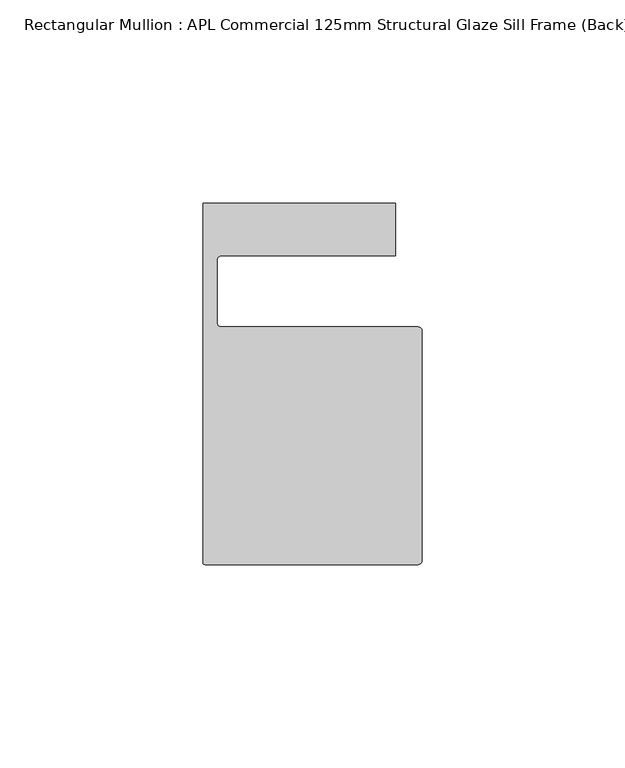
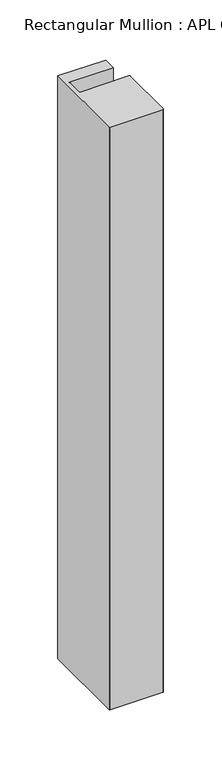
"""IFC4 building model written with IfcOpenShell, lengths in millimetres: member geometry, Rectangular Mullion : APL Commercial 125mm Structural Glaze Sill Frame (Back)."""

import ifcopenshell
import ifcopenshell.guid

model = None  # the IFC model being written
_history = None  # IfcOwnerHistory: only IFC2X3 demands one
_inside = {}  # id of a spatial element -> (the spatial element, [elements in it])
_under = {}  # id of a project, library or spatial element -> (it, [spatial elements below it])
_declared = {}  # id of a project -> (the project, [libraries it declares])
_typed = {}  # id of a type object -> (the type object, [elements of that type])
_made_of = {}  # id of a material, layer set ... -> (it, [elements and type objects made of it])


def new_model(schema):
    """Start an empty IFC model of exactly this schema.

    Asked for "IFC4X3", IfcOpenShell would pick the latest addendum, in which some entities
    have other attributes; the version numbers below select the first issue.
    IFC2X3 requires an IfcOwnerHistory on every rooted entity: one is made here for all.
    """
    global model, _history
    if schema == "IFC4X3":
        model = ifcopenshell.file(schema_version=(4, 3, 0, 0))
    else:
        model = ifcopenshell.file(schema=schema)
    _inside.clear()
    _under.clear()
    _declared.clear()
    _typed.clear()
    _made_of.clear()
    _history = None
    if model.schema == "IFC2X3":
        org = make("IfcOrganization", Name="unknown")
        user = make(
            "IfcPersonAndOrganization",
            ThePerson=make("IfcPerson", FamilyName="unknown"),
            TheOrganization=org,
        )
        app = make(
            "IfcApplication",
            ApplicationDeveloper=org,
            Version="unknown",
            ApplicationFullName="unknown",
            ApplicationIdentifier="unknown",
        )
        _history = make(
            "IfcOwnerHistory",
            OwningUser=user,
            OwningApplication=app,
            ChangeAction="ADDED",
            CreationDate=0,
        )
    return model


def make(cls, **values):
    """One entity of the class cls with the attributes given. An attribute that is None is left unset."""
    return model.create_entity(
        cls, **{name: value for name, value in values.items() if value is not None}
    )


def rooted(cls, **values):
    """An entity with a GlobalId (a new one), such as an element, a storey or a relation."""
    return make(cls, GlobalId=ifcopenshell.guid.new(), OwnerHistory=_history, **values)


def si_unit(unit_type, name, prefix=None):
    """IfcSIUnit, for example si_unit("LENGTHUNIT", "METRE", prefix="MILLI")."""
    return make("IfcSIUnit", UnitType=unit_type, Prefix=prefix, Name=name)


def assignment(units):
    """IfcUnitAssignment: the units of a project."""
    return None if units is None else make("IfcUnitAssignment", Units=units)


def point(xyz):
    """IfcCartesianPoint."""
    return None if xyz is None else make("IfcCartesianPoint", Coordinates=xyz)


def direction(xyz):
    """IfcDirection."""
    return None if xyz is None else make("IfcDirection", DirectionRatios=xyz)


def frame(location, z_axis=None, x_axis=None):
    """IfcAxis2Placement3D, a coordinate frame: its origin and axes. An axis left out is left unset."""
    return make(
        "IfcAxis2Placement3D",
        Location=point(location),
        Axis=direction(z_axis),
        RefDirection=direction(x_axis),
    )


def origin():
    """The frame at (0, 0, 0) with its axes left unset."""
    return frame((0.0, 0.0, 0.0))


def place(relative_to, where):
    """IfcLocalPlacement: puts the frame where relative to a parent placement (None: the world)."""
    return make(
        "IfcLocalPlacement", PlacementRelTo=relative_to, RelativePlacement=where
    )


def context(
    kind, dimensions, precision=None, world=None, true_north=None, identifier=None
):
    """IfcGeometricRepresentationContext, for example the 3D "Model" context."""
    return make(
        "IfcGeometricRepresentationContext",
        ContextIdentifier=identifier,
        ContextType=kind,
        CoordinateSpaceDimension=dimensions,
        Precision=precision,
        WorldCoordinateSystem=world,
        TrueNorth=true_north,
    )


def project(units=None, contexts=None):
    """IfcProject with its units and contexts."""
    return rooted(
        "IfcProject",
        Name="project",
        RepresentationContexts=contexts,
        UnitsInContext=assignment(units),
    )


def spatial(cls, under=None, at=None, **own):
    """A site, building, storey or space (cls), placed at a placement, below another one or the project."""
    s = rooted(cls, ObjectPlacement=at, **own)
    if under is not None:
        _under.setdefault(under.id(), (under, []))[1].append(s)
    return s


def polyline(points):
    """IfcPolyline through the points."""
    return make("IfcPolyline", Points=[point(p) for p in points])


def circle_curve(where, radius):
    """IfcCircle in the frame where."""
    return make("IfcCircle", Position=where, Radius=radius)


def shape(context_of_items, identifier, shape_type, items):
    """IfcShapeRepresentation: the items that make up one representation, for example the "Body"."""
    return make(
        "IfcShapeRepresentation",
        ContextOfItems=context_of_items,
        RepresentationIdentifier=identifier,
        RepresentationType=shape_type,
        Items=items,
    )


def source(mapping_origin, context_of_items, identifier, shape_type, items):
    """IfcRepresentationMap: a shape defined once, which mapped items show again and again."""
    return make(
        "IfcRepresentationMap",
        MappingOrigin=mapping_origin,
        MappedRepresentation=shape(context_of_items, identifier, shape_type, items),
    )


def transform(
    local_origin,
    x_axis=None,
    y_axis=None,
    z_axis=None,
    scale=None,
    scale2=None,
    scale3=None,
    uniform=True,
):
    """IfcCartesianTransformationOperator3D, or its non-uniform kind. x_axis, y_axis, z_axis: its Axis1, 2, 3."""
    if uniform:
        return make(
            "IfcCartesianTransformationOperator3D",
            Axis1=direction(x_axis),
            Axis2=direction(y_axis),
            LocalOrigin=point(local_origin),
            Scale=scale,
            Axis3=direction(z_axis),
        )
    return make(
        "IfcCartesianTransformationOperator3DnonUniform",
        Axis1=direction(x_axis),
        Axis2=direction(y_axis),
        LocalOrigin=point(local_origin),
        Scale=scale,
        Axis3=direction(z_axis),
        Scale2=scale2,
        Scale3=scale3,
    )


def mapped(mapping_source, mapping_target):
    """IfcMappedItem: shows the shape of a source again, moved by a transform."""
    return make(
        "IfcMappedItem", MappingSource=mapping_source, MappingTarget=mapping_target
    )


def made_of(thing, what):
    """Note that an element or type object is made of a material, layer set ...; save() writes the relation."""
    if what is not None:
        _made_of.setdefault(what.id(), (what, []))[1].append(thing)
    return thing


def element(
    cls,
    number,
    at=None,
    inside=None,
    cuts=None,
    type_object=None,
    material=None,
    context=None,
    identifier="Body",
    shape_type=None,
    held_by="IfcProductDefinitionShape",
    body=None,
    shapes=None,
    **own,
):
    """One element of the class cls, such as IfcWall. Its Tag is "e" and its number.

    at: its placement. inside: the storey or other place that contains it. cuts: it is an
    opening in that element (IfcRelVoidsElement). A single representation is given by context,
    identifier, shape_type and body (its items); several are given by shapes. held_by: the class
    of the entity that holds the representations. save() writes the other relations.
    """
    e = rooted(cls, Tag="e%d" % number, ObjectPlacement=at, **own)
    if body is not None:
        shapes = [shape(context, identifier, shape_type, body)]
    if shapes is not None:
        e.Representation = make(held_by, Representations=shapes)
    if inside is not None:
        _inside.setdefault(inside.id(), (inside, []))[1].append(e)
    if cuts is not None:
        rooted(
            "IfcRelVoidsElement", RelatingBuildingElement=cuts, RelatedOpeningElement=e
        )
    if type_object is not None:
        _typed.setdefault(type_object.id(), (type_object, []))[1].append(e)
    return made_of(e, material)


def aggregate(whole, parts):
    """IfcRelAggregates: a whole, such as a stair, and the parts it consists of."""
    return rooted("IfcRelAggregates", RelatingObject=whole, RelatedObjects=parts)


def save(model, path):
    """Write the relations noted so far, then the file.

    IfcRelAggregates (storeys below a building ...), IfcRelContainedInSpatialStructure (elements
    in a storey), IfcRelDefinesByType, IfcRelAssociatesMaterial and IfcRelDeclares: one each for
    every whole, place, type object, material and project.
    """
    for whole, parts in _under.values():
        aggregate(whole, parts)
    for where, things in _inside.values():
        rooted(
            "IfcRelContainedInSpatialStructure",
            RelatedElements=things,
            RelatingStructure=where,
        )
    for kind, things in _typed.values():
        rooted("IfcRelDefinesByType", RelatedObjects=things, RelatingType=kind)
    for what, things in _made_of.values():
        rooted("IfcRelAssociatesMaterial", RelatedObjects=things, RelatingMaterial=what)
    for by, libraries in _declared.values():
        rooted("IfcRelDeclares", RelatingContext=by, RelatedDefinitions=libraries)
    model.write(path)


def plane_surface(at):
    """IfcPlane: the flat surface through the origin of the frame at, square to its z axis."""
    return make("IfcPlane", Position=at)


def cylinder_surface(at, radius):
    """IfcCylindricalSurface: all points at the distance radius from the z axis of the frame at."""
    return make("IfcCylindricalSurface", Position=at, Radius=radius)


def revolved_surface(curve, axis_point, axis_direction):
    """IfcSurfaceOfRevolution: the curve turned about the line through axis_point along axis_direction."""
    return make(
        "IfcSurfaceOfRevolution",
        SweptCurve=make("IfcArbitraryOpenProfileDef", ProfileType="CURVE", Curve=curve),
        AxisPosition=make("IfcAxis1Placement", Location=point(axis_point), Axis=direction(axis_direction)),
    )


def advanced_brep(points, edges, surfaces, faces):
    """IfcAdvancedBrep: a solid bounded by faces that lie on surfaces and meet in shared edges.

    An edge is (start, end): straight between two places in points (the first is 0);
    or (start, end, curve); or (start, end, curve, False) where it runs against its curve.
    A face is (place in surfaces, loops), or (place, loops, False) where it looks against
    its surface's normal. A loop lists edges by number (the first is 1), with a minus sign
    where the edge is run from its end to its start. The first loop is the outer one.
    """
    corners = [point(p) for p in points]
    vertices = [make("IfcVertexPoint", VertexGeometry=c) for c in corners]
    made = []
    for start, end, *more in edges:
        made.append(
            make(
                "IfcEdgeCurve",
                EdgeStart=vertices[start],
                EdgeEnd=vertices[end],
                EdgeGeometry=more[0] if more else make("IfcPolyline", Points=[corners[start], corners[end]]),
                SameSense=more[1] if len(more) > 1 else True,
            )
        )
    hull = []
    for where, loops, *sense in faces:
        bounds = []
        for j, loop in enumerate(loops):
            ring = [make("IfcOrientedEdge", EdgeElement=made[abs(k) - 1], Orientation=k > 0) for k in loop]
            bounds.append(
                make(
                    "IfcFaceOuterBound" if j == 0 else "IfcFaceBound",
                    Bound=make("IfcEdgeLoop", EdgeList=ring),
                    Orientation=True,
                )
            )
        hull.append(make("IfcAdvancedFace", Bounds=bounds, FaceSurface=surfaces[where], SameSense=sense[0] if sense else True))
    return make("IfcAdvancedBrep", Outer=make("IfcClosedShell", CfsFaces=hull))


def rectangular_mullion_apl_commercial_125mm_structural_glaze_182bf9ba(model_context):
    return source(origin(), model_context, "Body", "AdvancedBrep", [
        advanced_brep(
        [(-53.5000029, -104.0, 0.0), (-1.0000025, -104.0, 0.0), (-2.5e-06, -103.0, 0.0), (0.0, -46.5010268, 0.0), (-1.0, -45.5010268, 0.0), (-49.5000004, -45.5010268, 0.0), (-50.5000004, -44.5010268, 0.0), (-50.5000029, -29.0004332, 0.0), (-49.5000029, -28.0004332, 0.0), (-6.5000029, -28.0004332, 0.0), (-6.5000029, -15.0004332, 0.0), (-54.0000029, -15.0004332, 0.0), (-54.0000029, -103.5, 0.0), (-53.5000029, -104.0, -613.5139257), (-54.0000029, -103.5, -613.5139257), (-54.0000029, -15.0004332, -613.5139257), (-6.5000029, -15.0004332, -613.5139257), (-6.5000029, -28.0004332, -613.5139257), (-49.5000029, -28.0004332, -613.5139257), (-50.5000029, -29.0004332, -613.5139257), (-50.5000029, -44.5010268, -613.5139257), (-49.5000004, -45.5010268, -613.5139257), (-1.0, -45.5010268, -613.5139257), (0.0, -46.5010268, -613.5139257), (0.0, -103.0, -613.5139257), (-1.0000025, -104.0, -613.5139257)],
        [
            (0, 1),
            (1, 2, circle_curve(frame((-1.0000025, -103.0, 0.0), z_axis=(0.0, 0.0, 1.0), x_axis=(0.9999999999996143, -8.78371761103865e-07, 0.0)), 1.0)),
            (2, 3),
            (3, 4, circle_curve(frame((-1.0, -46.5010268, 0.0), z_axis=(0.0, 0.0, 1.0), x_axis=(0.0, 1.0, 0.0)), 1.0)),
            (4, 5),
            (5, 6, circle_curve(frame((-49.5000004, -44.5010268, 0.0), z_axis=(0.0, 0.0, -1.0), x_axis=(-0.9999999999998819, -4.863123717036027e-07, 0.0)), 1.0)),
            (6, 7),
            (7, 8, circle_curve(frame((-49.5000029, -29.0004332, 0.0), z_axis=(0.0, 0.0, -1.0), x_axis=(0.0, 1.0, 0.0)), 1.0)),
            (8, 9),
            (9, 10),
            (10, 11),
            (11, 12),
            (12, 0, circle_curve(frame((-53.5000029, -103.5, 0.0), z_axis=(0.0, 0.0, 1.0), x_axis=(0.0, -1.0, 0.0)), 0.5)),
            (13, 14, circle_curve(frame((-53.5000029, -103.5, -613.5139257), z_axis=(0.0, 0.0, -1.0), x_axis=(0.0, -1.0, 0.0)), 0.5)),
            (14, 15),
            (15, 16),
            (16, 17),
            (17, 18),
            (18, 19, circle_curve(frame((-49.5000029, -29.0004332, -613.5139257), z_axis=(0.0, 0.0, 1.0), x_axis=(0.0, 1.0, 0.0)), 1.0)),
            (19, 20),
            (20, 21, circle_curve(frame((-49.5000004, -44.5010268, -613.5139257), z_axis=(0.0, 0.0, 1.0), x_axis=(-0.9999999999998819, -4.863123717036027e-07, 0.0)), 1.0)),
            (21, 22),
            (22, 23, circle_curve(frame((-1.0, -46.5010268, -613.5139257), z_axis=(0.0, 0.0, -1.0), x_axis=(0.0, 1.0, 0.0)), 1.0)),
            (23, 24),
            (24, 25, circle_curve(frame((-1.0000025, -103.0, -613.5139257), z_axis=(0.0, 0.0, -1.0), x_axis=(0.9999999999996143, -8.78371761103865e-07, 0.0)), 1.0)),
            (25, 13),
            (0, 13),
            (25, 1),
            (24, 2),
            (23, 3),
            (22, 4),
            (21, 5),
            (20, 6),
            (19, 7),
            (18, 8),
            (17, 9),
            (16, 10),
            (15, 11),
            (14, 12),
        ],
        [
            plane_surface(frame((0.0, -116.986179, 0.0), z_axis=(0.0, 0.0, 1.0), x_axis=(-1.0, 0.0, 0.0))),
            plane_surface(frame((0.0, -116.986179, -613.5139257), z_axis=(0.0, 0.0, -1.0), x_axis=(-1.0, 0.0, 0.0))),
            plane_surface(frame((-53.5000029, -104.0, 0.0), z_axis=(0.0, -1.0, 0.0), x_axis=(0.0, 0.0, -1.0))),
            cylinder_surface(frame((-1.0000025, -103.0, 0.0), z_axis=(0.0, 0.0, 1.0000000000000002), x_axis=(0.9999999999996143, -8.78371761103865e-07, 0.0)), 1.0),
            plane_surface(frame((0.0, -103.0, 0.0), z_axis=(1.0, 0.0, 0.0), x_axis=(0.0, 0.0, -1.0))),
            cylinder_surface(frame((-1.0, -46.5010268, 0.0), z_axis=(0.0, 0.0, 1.0), x_axis=(0.0, 1.0, 0.0)), 1.0),
            plane_surface(frame((-1.0, -45.5010268, 0.0), z_axis=(0.0, 1.0, 0.0), x_axis=(0.0, 0.0, -1.0))),
            revolved_surface(polyline([(-50.50000039999988, -44.50102728631237, -613.5139257000002), (-50.50000039999988, -44.50102728631237, 0.0)]), (-49.5000004, -44.5010268, 0.0), (0.0, 0.0, -1.0000000000000002)),
            plane_surface(frame((-50.5000029, -44.5010268, 0.0), z_axis=(1.0, 0.0, 0.0), x_axis=(0.0, 0.0, -1.0))),
            revolved_surface(polyline([(-49.5000029, -28.0004332, -613.5139257), (-49.5000029, -28.0004332, 0.0)]), (-49.5000029, -29.0004332, 0.0), (0.0, 0.0, -1.0)),
            plane_surface(frame((-49.5000029, -28.0004332, 0.0), z_axis=(0.0, -1.0, 0.0), x_axis=(0.0, 0.0, -1.0))),
            plane_surface(frame((-6.5000029, -28.0004332, 0.0), z_axis=(1.0, 0.0, 0.0), x_axis=(0.0, 0.0, -1.0))),
            plane_surface(frame((-6.5000029, -15.0004332, 0.0), z_axis=(0.0, 1.0, 0.0), x_axis=(0.0, 0.0, -1.0))),
            plane_surface(frame((-54.0000029, -15.0004332, 0.0), z_axis=(-1.0, 0.0, 0.0), x_axis=(0.0, 0.0, -1.0))),
            cylinder_surface(frame((-53.5000029, -103.5, 0.0), z_axis=(0.0, 0.0, 1.0), x_axis=(0.0, -1.0, 0.0)), 0.5),
        ],
        [
            (0, [[1, 2, 3, 4, 5, 6, 7, 8, 9, 10, 11, 12, 13]]),
            (1, [[14, 15, 16, 17, 18, 19, 20, 21, 22, 23, 24, 25, 26]]),
            (2, [[-1, 27, -26, 28]]),
            (3, [[-2, -28, -25, 29]]),
            (4, [[-3, -29, -24, 30]]),
            (5, [[-4, -30, -23, 31]]),
            (6, [[-5, -31, -22, 32]]),
            (7, [[-6, -32, -21, 33]]),
            (8, [[-7, -33, -20, 34]]),
            (9, [[-8, -34, -19, 35]]),
            (10, [[-9, -35, -18, 36]]),
            (11, [[-10, -36, -17, 37]]),
            (12, [[-11, -37, -16, 38]]),
            (13, [[-12, -38, -15, 39]]),
            (14, [[-13, -39, -14, -27]]),
        ],
    ),
    ])


if __name__ == "__main__":
    model = new_model("IFC4")
    model_context = context("Model", 3, world=origin())
    ifc_project = project(units=[si_unit("LENGTHUNIT", "METRE", prefix="MILLI")], contexts=[model_context])
    site = spatial("IfcSite", under=ifc_project)
    building = spatial("IfcBuilding", under=site)
    placement = place(None, origin())
    rectangular_mullion_apl_commercial_125mm_structural_glaze_shape = rectangular_mullion_apl_commercial_125mm_structural_glaze_182bf9ba(model_context)
    element("IfcMember", 1, ObjectType="Rectangular Mullion : APL Commercial 125mm Structural Glaze Sill Frame (Back)", at=placement, inside=building, context=model_context, shape_type="MappedRepresentation", body=[
        mapped(rectangular_mullion_apl_commercial_125mm_structural_glaze_shape, transform((0.0, 0.0, 0.0), x_axis=(1.0, 0.0, 0.0), y_axis=(0.0, 1.0, 0.0), z_axis=(0.0, 0.0, 1.0))),
    ])
    save(model, "model.ifc")
